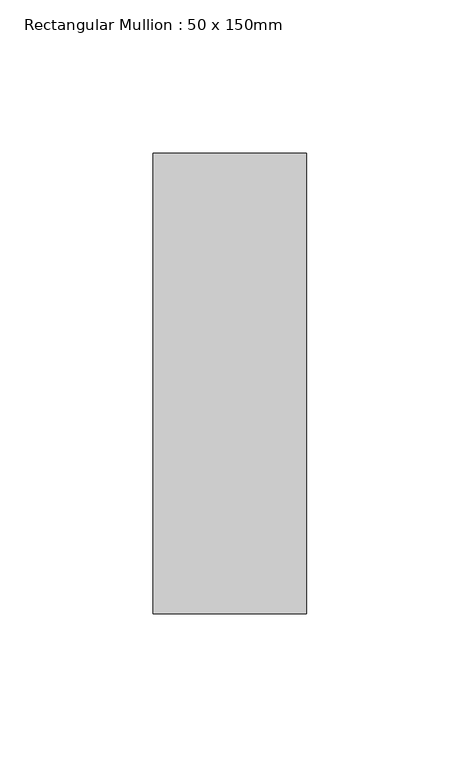
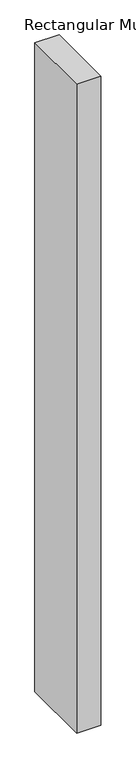
"""IFC4 building model written with IfcOpenShell, lengths in millimetres: member geometry, Rectangular Mullion : 50 x 150mm."""

from ifc_helpers import new_model, si_unit, frame, origin, place, context, project, spatial, polyline, outline, extrude, source, transform, mapped, element, save


def rectangular_mullion_50_x_150mm_1cde848a(model_context):
    return source(origin(), model_context, "Body", "SweptSolid", [
        extrude(outline(polyline([(25.0, 75.0), (25.0, -75.0), (-25.0, -75.0), (-25.0, 75.0), (25.0, 75.0)])), frame((0.0, 0.0, -1420.3334645), z_axis=(0.0, 0.0, 1.0), x_axis=(1.0, 0.0, 0.0)), (0.0, 0.0, 1.0), 1420.3334645),
    ])


if __name__ == "__main__":
    model = new_model("IFC4")
    model_context = context("Model", 3, world=origin())
    ifc_project = project(units=[si_unit("LENGTHUNIT", "METRE", prefix="MILLI")], contexts=[model_context])
    site = spatial("IfcSite", under=ifc_project)
    building = spatial("IfcBuilding", under=site)
    placement = place(None, origin())
    rectangular_mullion_50_x_150mm_shape = rectangular_mullion_50_x_150mm_1cde848a(model_context)
    element("IfcMember", 1, ObjectType="Rectangular Mullion : 50 x 150mm", at=placement, inside=building, context=model_context, shape_type="MappedRepresentation", body=[
        mapped(rectangular_mullion_50_x_150mm_shape, transform((0.0, 0.0, 0.0), x_axis=(1.0, 0.0, 0.0), y_axis=(0.0, 1.0, 0.0), z_axis=(0.0, 0.0, 1.0))),
    ])
    save(model, "model.ifc")
